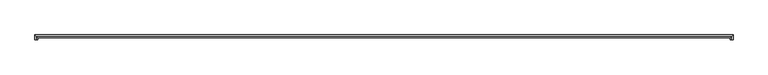
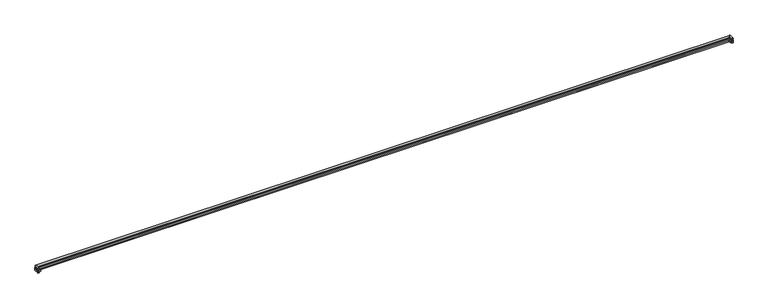
"""IFC4 building model written with IfcOpenShell, lengths in millimetres: railing geometry."""

import ifcopenshell
import ifcopenshell.guid

model = None  # the IFC model being written
_history = None  # IfcOwnerHistory: only IFC2X3 demands one
_inside = {}  # id of a spatial element -> (the spatial element, [elements in it])
_under = {}  # id of a project, library or spatial element -> (it, [spatial elements below it])
_declared = {}  # id of a project -> (the project, [libraries it declares])
_typed = {}  # id of a type object -> (the type object, [elements of that type])
_made_of = {}  # id of a material, layer set ... -> (it, [elements and type objects made of it])


def new_model(schema):
    """Start an empty IFC model of exactly this schema.

    Asked for "IFC4X3", IfcOpenShell would pick the latest addendum, in which some entities
    have other attributes; the version numbers below select the first issue.
    IFC2X3 requires an IfcOwnerHistory on every rooted entity: one is made here for all.
    """
    global model, _history
    if schema == "IFC4X3":
        model = ifcopenshell.file(schema_version=(4, 3, 0, 0))
    else:
        model = ifcopenshell.file(schema=schema)
    _inside.clear()
    _under.clear()
    _declared.clear()
    _typed.clear()
    _made_of.clear()
    _history = None
    if model.schema == "IFC2X3":
        org = make("IfcOrganization", Name="unknown")
        user = make(
            "IfcPersonAndOrganization",
            ThePerson=make("IfcPerson", FamilyName="unknown"),
            TheOrganization=org,
        )
        app = make(
            "IfcApplication",
            ApplicationDeveloper=org,
            Version="unknown",
            ApplicationFullName="unknown",
            ApplicationIdentifier="unknown",
        )
        _history = make(
            "IfcOwnerHistory",
            OwningUser=user,
            OwningApplication=app,
            ChangeAction="ADDED",
            CreationDate=0,
        )
    return model


def make(cls, **values):
    """One entity of the class cls with the attributes given. An attribute that is None is left unset."""
    return model.create_entity(
        cls, **{name: value for name, value in values.items() if value is not None}
    )


def rooted(cls, **values):
    """An entity with a GlobalId (a new one), such as an element, a storey or a relation."""
    return make(cls, GlobalId=ifcopenshell.guid.new(), OwnerHistory=_history, **values)


def si_unit(unit_type, name, prefix=None):
    """IfcSIUnit, for example si_unit("LENGTHUNIT", "METRE", prefix="MILLI")."""
    return make("IfcSIUnit", UnitType=unit_type, Prefix=prefix, Name=name)


def assignment(units):
    """IfcUnitAssignment: the units of a project."""
    return None if units is None else make("IfcUnitAssignment", Units=units)


def point(xyz):
    """IfcCartesianPoint."""
    return None if xyz is None else make("IfcCartesianPoint", Coordinates=xyz)


def direction(xyz):
    """IfcDirection."""
    return None if xyz is None else make("IfcDirection", DirectionRatios=xyz)


def frame(location, z_axis=None, x_axis=None):
    """IfcAxis2Placement3D, a coordinate frame: its origin and axes. An axis left out is left unset."""
    return make(
        "IfcAxis2Placement3D",
        Location=point(location),
        Axis=direction(z_axis),
        RefDirection=direction(x_axis),
    )


def origin():
    """The frame at (0, 0, 0) with its axes left unset."""
    return frame((0.0, 0.0, 0.0))


def place(relative_to, where):
    """IfcLocalPlacement: puts the frame where relative to a parent placement (None: the world)."""
    return make(
        "IfcLocalPlacement", PlacementRelTo=relative_to, RelativePlacement=where
    )


def context(
    kind, dimensions, precision=None, world=None, true_north=None, identifier=None
):
    """IfcGeometricRepresentationContext, for example the 3D "Model" context."""
    return make(
        "IfcGeometricRepresentationContext",
        ContextIdentifier=identifier,
        ContextType=kind,
        CoordinateSpaceDimension=dimensions,
        Precision=precision,
        WorldCoordinateSystem=world,
        TrueNorth=true_north,
    )


def project(units=None, contexts=None):
    """IfcProject with its units and contexts."""
    return rooted(
        "IfcProject",
        Name="project",
        RepresentationContexts=contexts,
        UnitsInContext=assignment(units),
    )


def spatial(cls, under=None, at=None, **own):
    """A site, building, storey or space (cls), placed at a placement, below another one or the project."""
    s = rooted(cls, ObjectPlacement=at, **own)
    if under is not None:
        _under.setdefault(under.id(), (under, []))[1].append(s)
    return s


def polyline(points):
    """IfcPolyline through the points."""
    return make("IfcPolyline", Points=[point(p) for p in points])


def circle_curve(where, radius):
    """IfcCircle in the frame where."""
    return make("IfcCircle", Position=where, Radius=radius)


def ellipse_curve(where, semi_axis1, semi_axis2):
    """IfcEllipse in the frame where."""
    return make(
        "IfcEllipse", Position=where, SemiAxis1=semi_axis1, SemiAxis2=semi_axis2
    )


def faces_of(points, faces, orient=None, outer=None):
    """IfcFace entities. A face is a list of loops; a loop is a list of indices into points, from 0.

    orient and outer hold one flag for each loop. By default every Orientation is true, the
    first loop of a face is its IfcFaceOuterBound and the others are IfcFaceBound.
    """
    made = []
    for i, loops in enumerate(faces):
        bounds = []
        for j, loop in enumerate(loops):
            is_outer = j == 0 if outer is None else outer[i][j]
            bounds.append(
                make(
                    "IfcFaceOuterBound" if is_outer else "IfcFaceBound",
                    Bound=make("IfcPolyLoop", Polygon=[points[k] for k in loop]),
                    Orientation=True if orient is None else orient[i][j],
                )
            )
        made.append(make("IfcFace", Bounds=bounds))
    return made


def faceted_brep(points, faces, orient=None, outer=None, voids=None):
    """IfcFacetedBrep: a solid bounded by flat faces; with voids (closed shells), ...WithVoids."""
    shared = [point(p) for p in points]
    hull = make("IfcClosedShell", CfsFaces=faces_of(shared, faces, orient, outer))
    if voids is None:
        return make("IfcFacetedBrep", Outer=hull)
    return make(
        "IfcFacetedBrepWithVoids",
        Outer=hull,
        Voids=[
            make(cls, CfsFaces=faces_of(shared, fs, o, b)) for cls, fs, o, b in voids
        ],
    )


def shape(context_of_items, identifier, shape_type, items):
    """IfcShapeRepresentation: the items that make up one representation, for example the "Body"."""
    return make(
        "IfcShapeRepresentation",
        ContextOfItems=context_of_items,
        RepresentationIdentifier=identifier,
        RepresentationType=shape_type,
        Items=items,
    )


def source(mapping_origin, context_of_items, identifier, shape_type, items):
    """IfcRepresentationMap: a shape defined once, which mapped items show again and again."""
    return make(
        "IfcRepresentationMap",
        MappingOrigin=mapping_origin,
        MappedRepresentation=shape(context_of_items, identifier, shape_type, items),
    )


def transform(
    local_origin,
    x_axis=None,
    y_axis=None,
    z_axis=None,
    scale=None,
    scale2=None,
    scale3=None,
    uniform=True,
):
    """IfcCartesianTransformationOperator3D, or its non-uniform kind. x_axis, y_axis, z_axis: its Axis1, 2, 3."""
    if uniform:
        return make(
            "IfcCartesianTransformationOperator3D",
            Axis1=direction(x_axis),
            Axis2=direction(y_axis),
            LocalOrigin=point(local_origin),
            Scale=scale,
            Axis3=direction(z_axis),
        )
    return make(
        "IfcCartesianTransformationOperator3DnonUniform",
        Axis1=direction(x_axis),
        Axis2=direction(y_axis),
        LocalOrigin=point(local_origin),
        Scale=scale,
        Axis3=direction(z_axis),
        Scale2=scale2,
        Scale3=scale3,
    )


def mapped(mapping_source, mapping_target):
    """IfcMappedItem: shows the shape of a source again, moved by a transform."""
    return make(
        "IfcMappedItem", MappingSource=mapping_source, MappingTarget=mapping_target
    )


def made_of(thing, what):
    """Note that an element or type object is made of a material, layer set ...; save() writes the relation."""
    if what is not None:
        _made_of.setdefault(what.id(), (what, []))[1].append(thing)
    return thing


def element(
    cls,
    number,
    at=None,
    inside=None,
    cuts=None,
    type_object=None,
    material=None,
    context=None,
    identifier="Body",
    shape_type=None,
    held_by="IfcProductDefinitionShape",
    body=None,
    shapes=None,
    **own,
):
    """One element of the class cls, such as IfcWall. Its Tag is "e" and its number.

    at: its placement. inside: the storey or other place that contains it. cuts: it is an
    opening in that element (IfcRelVoidsElement). A single representation is given by context,
    identifier, shape_type and body (its items); several are given by shapes. held_by: the class
    of the entity that holds the representations. save() writes the other relations.
    """
    e = rooted(cls, Tag="e%d" % number, ObjectPlacement=at, **own)
    if body is not None:
        shapes = [shape(context, identifier, shape_type, body)]
    if shapes is not None:
        e.Representation = make(held_by, Representations=shapes)
    if inside is not None:
        _inside.setdefault(inside.id(), (inside, []))[1].append(e)
    if cuts is not None:
        rooted(
            "IfcRelVoidsElement", RelatingBuildingElement=cuts, RelatedOpeningElement=e
        )
    if type_object is not None:
        _typed.setdefault(type_object.id(), (type_object, []))[1].append(e)
    return made_of(e, material)


def aggregate(whole, parts):
    """IfcRelAggregates: a whole, such as a stair, and the parts it consists of."""
    return rooted("IfcRelAggregates", RelatingObject=whole, RelatedObjects=parts)


def save(model, path):
    """Write the relations noted so far, then the file.

    IfcRelAggregates (storeys below a building ...), IfcRelContainedInSpatialStructure (elements
    in a storey), IfcRelDefinesByType, IfcRelAssociatesMaterial and IfcRelDeclares: one each for
    every whole, place, type object, material and project.
    """
    for whole, parts in _under.values():
        aggregate(whole, parts)
    for where, things in _inside.values():
        rooted(
            "IfcRelContainedInSpatialStructure",
            RelatedElements=things,
            RelatingStructure=where,
        )
    for kind, things in _typed.values():
        rooted("IfcRelDefinesByType", RelatedObjects=things, RelatingType=kind)
    for what, things in _made_of.values():
        rooted("IfcRelAssociatesMaterial", RelatedObjects=things, RelatingMaterial=what)
    for by, libraries in _declared.values():
        rooted("IfcRelDeclares", RelatingContext=by, RelatedDefinitions=libraries)
    model.write(path)


def plane_surface(at):
    """IfcPlane: the flat surface through the origin of the frame at, square to its z axis."""
    return make("IfcPlane", Position=at)


def cylinder_surface(at, radius):
    """IfcCylindricalSurface: all points at the distance radius from the z axis of the frame at."""
    return make("IfcCylindricalSurface", Position=at, Radius=radius)


def revolved_surface(curve, axis_point, axis_direction):
    """IfcSurfaceOfRevolution: the curve turned about the line through axis_point along axis_direction."""
    return make(
        "IfcSurfaceOfRevolution",
        SweptCurve=make("IfcArbitraryOpenProfileDef", ProfileType="CURVE", Curve=curve),
        AxisPosition=make("IfcAxis1Placement", Location=point(axis_point), Axis=direction(axis_direction)),
    )


def advanced_brep(points, edges, surfaces, faces):
    """IfcAdvancedBrep: a solid bounded by faces that lie on surfaces and meet in shared edges.

    An edge is (start, end): straight between two places in points (the first is 0);
    or (start, end, curve); or (start, end, curve, False) where it runs against its curve.
    A face is (place in surfaces, loops), or (place, loops, False) where it looks against
    its surface's normal. A loop lists edges by number (the first is 1), with a minus sign
    where the edge is run from its end to its start. The first loop is the outer one.
    """
    corners = [point(p) for p in points]
    vertices = [make("IfcVertexPoint", VertexGeometry=c) for c in corners]
    made = []
    for start, end, *more in edges:
        made.append(
            make(
                "IfcEdgeCurve",
                EdgeStart=vertices[start],
                EdgeEnd=vertices[end],
                EdgeGeometry=more[0] if more else make("IfcPolyline", Points=[corners[start], corners[end]]),
                SameSense=more[1] if len(more) > 1 else True,
            )
        )
    hull = []
    for where, loops, *sense in faces:
        bounds = []
        for j, loop in enumerate(loops):
            ring = [make("IfcOrientedEdge", EdgeElement=made[abs(k) - 1], Orientation=k > 0) for k in loop]
            bounds.append(
                make(
                    "IfcFaceOuterBound" if j == 0 else "IfcFaceBound",
                    Bound=make("IfcEdgeLoop", EdgeList=ring),
                    Orientation=True,
                )
            )
        hull.append(make("IfcAdvancedFace", Bounds=bounds, FaceSurface=surfaces[where], SameSense=sense[0] if sense else True))
    return make("IfcAdvancedBrep", Outer=make("IfcClosedShell", CfsFaces=hull))


def railing_6d677b34(model_context):
    return source(origin(), model_context, "Body", "SolidModel", [
        advanced_brep(
        [(1643.6394719, 31474.9497023, 840.2579086), (1643.6394719, 31474.9497023, 851.8920261), (-16467.9067281, 31474.9497023, 851.8920261), (-16467.9067281, 31474.9497023, 840.2579086), (1655.7066632, 31487.0168936, 871.3258502), (1652.1989285, 31483.5091589, 878.1694723), (-16476.4661847, 31483.5091589, 878.1694723), (-16479.9739193, 31487.0168936, 871.3258502), (1679.1711878, 31510.4814182, 891.9400009), (-16503.438444, 31510.4814182, 891.9400009), (1676.1382144, 31507.4484448, 885.7421059), (-16500.4054705, 31507.4484448, 885.7421059), (1681.0663719, 31512.3766023, 852.5885849), (1681.0924275, 31512.4026579, 831.850148), (-16505.3596836, 31512.4026579, 831.850148), (-16505.3336281, 31512.3766023, 852.5885849), (1668.3663719, 31499.6766023, 831.850148), (-16492.6336281, 31499.6766023, 831.850148), (1668.3663719, 31499.6766023, 819.150148), (-16492.6336281, 31499.6766023, 819.150148), (1660.0832156, 31491.393446, 826.3284847), (1655.5127349, 31486.8229653, 834.2447895), (-16479.7799911, 31486.8229653, 834.2447895), (-16484.3504718, 31491.393446, 826.3284847), (1641.3788719, 31472.6891023, 806.45), (1652.0955515, 31483.4057819, 806.45), (-16476.3628077, 31483.4057819, 806.45), (-16465.6461281, 31472.6891023, 806.45), (1641.3788719, 31472.6891023, 776.2875), (-16465.6461281, 31472.6891023, 776.2875), (1642.9663719, 31474.2766023, 774.7), (-16467.2336281, 31474.2766023, 774.7), (1679.4788719, 31510.7891023, 774.7), (-16503.7461281, 31510.7891023, 774.7), (1681.0663719, 31512.3766023, 819.150148), (1681.0663719, 31512.3766023, 776.2875), (-16505.3336281, 31512.3766023, 776.2875), (-16505.3336281, 31512.3766023, 819.150148), (1680.6014039, 31511.9116343, 775.164968), (-16504.8686601, 31511.9116343, 775.164968), (1652.1241669, 31483.4343973, 812.6345258), (-16476.3914231, 31483.4343973, 812.6345258), (1652.0976719, 31483.4079023, 834.8469573), (-16476.3649281, 31483.4079023, 834.8469573), (1652.0976719, 31483.4079023, 840.2579086), (-16476.3649281, 31483.4079023, 840.2579086), (1644.2980284, 31475.6082588, 853.1793568), (-16468.5652846, 31475.6082588, 853.1793568), (1680.3457721, 31511.6560025, 853.9184873), (-16504.6130283, 31511.6560025, 853.9184873), (-16467.9067281, 31385.3766023, 840.2579086), (-16467.9067281, 31385.3766023, 851.8920261), (-16468.5652846, 31385.3766023, 853.1793568), (-16479.9739193, 31385.3766023, 871.3258502), (-16476.4661847, 31385.3766023, 878.1694723), (-16503.438444, 31385.3766023, 891.9400009), (-16500.4054705, 31385.3766023, 885.7421059), (-16504.6130283, 31385.3766023, 853.9184873), (-16505.3336281, 31385.3766023, 852.5885849), (-16505.3596836, 31385.3766023, 831.850148), (-16492.6336281, 31385.3766023, 831.850148), (-16492.6336281, 31385.3766023, 819.150148), (-16505.3336281, 31385.3766023, 819.150148), (-16505.3336281, 31385.3766023, 776.2875), (-16504.8686601, 31385.3766023, 775.164968), (-16503.7461281, 31385.3766023, 774.7), (-16467.2336281, 31385.3766023, 774.7), (-16465.6461281, 31385.3766023, 776.2875), (-16465.6461281, 31385.3766023, 806.45), (-16476.3628077, 31385.3766023, 806.45), (-16476.3914231, 31385.3766023, 812.6345258), (-16484.3504718, 31385.3766023, 826.3284847), (-16479.7799911, 31385.3766023, 834.2447895), (-16476.3649281, 31385.3766023, 834.8469573), (-16476.3649281, 31385.3766023, 840.2579086), (1643.6394719, 31385.3766023, 840.2579086), (1652.0976719, 31385.3766023, 840.2579086), (1652.0976719, 31385.3766023, 834.8469573), (1655.5127349, 31385.3766023, 834.2447895), (1660.0832156, 31385.3766023, 826.3284847), (1652.1241669, 31385.3766023, 812.6345258), (1652.0955515, 31385.3766023, 806.45), (1641.3788719, 31385.3766023, 806.45), (1641.3788719, 31385.3766023, 776.2875), (1642.9663719, 31385.3766023, 774.7), (1679.4788719, 31385.3766023, 774.7), (1680.6014039, 31385.3766023, 775.164968), (1681.0663719, 31385.3766023, 776.2875), (1681.0663719, 31385.3766023, 819.150148), (1668.3663719, 31385.3766023, 819.150148), (1668.3663719, 31385.3766023, 831.850148), (1681.0924275, 31385.3766023, 831.850148), (1681.0663719, 31385.3766023, 852.5885849), (1680.3457721, 31385.3766023, 853.9184873), (1676.1382144, 31385.3766023, 885.7421059), (1679.1711878, 31385.3766023, 891.9400009), (1652.1989285, 31385.3766023, 878.1694723), (1655.7066632, 31385.3766023, 871.3258502), (1644.2980284, 31385.3766023, 853.1793568), (1643.6394719, 31385.3766023, 851.8920261)],
        [
            (0, 1),
            (1, 2),
            (2, 3),
            (3, 0),
            (4, 5, ellipse_curve(frame((1649.455637, 31480.7658674, 872.4426187), z_axis=(0.7071067811865448, -0.7071067811865501, 0.0), x_axis=(-0.7071067811865502, -0.7071067811865447, 0.0)), 8.9802561, 6.35)),
            (5, 6),
            (6, 7, ellipse_curve(frame((-16473.7228932, 31480.7658674, 872.4426187), z_axis=(-0.707106781186547, -0.707106781186548, 0.0), x_axis=(-0.707106781186548, 0.7071067811865469, 0.0)), 8.9802561, 6.35)),
            (7, 4),
            (5, 8, ellipse_curve(frame((1660.4288282, 31491.7390585, 895.3500857), z_axis=(-0.7071067811865448, 0.7071067811865501, 0.0), x_axis=(0.7071067811865502, 0.7071067811865447, 0.0)), 26.940851, 19.0500584)),
            (8, 9),
            (9, 6, ellipse_curve(frame((-16484.6960843, 31491.7390585, 895.3500857), z_axis=(0.707106781186547, 0.707106781186548, 0.0), x_axis=(0.707106781186548, -0.7071067811865469, 0.0)), 26.940851, 19.0500584)),
            (8, 10, ellipse_curve(frame((1666.6763197, 31497.9865501, 894.2133838), z_axis=(-0.7071067811865448, 0.7071067811865501, 0.0), x_axis=(0.7071067811865502, 0.7071067811865447, 0.0)), 17.9605122, 12.7)),
            (10, 11),
            (11, 9, ellipse_curve(frame((-16490.9435759, 31497.9865501, 894.2133838), z_axis=(0.707106781186547, 0.707106781186548, 0.0), x_axis=(0.707106781186548, -0.7071067811865469, 0.0)), 17.9605122, 12.7)),
            (12, 13),
            (13, 14),
            (14, 15),
            (15, 12),
            (13, 16),
            (16, 17),
            (17, 14),
            (16, 18),
            (18, 19),
            (19, 17),
            (20, 21),
            (21, 22),
            (22, 23),
            (23, 20),
            (24, 25),
            (25, 26),
            (26, 27),
            (27, 24),
            (28, 24),
            (27, 29),
            (29, 28),
            (30, 28, ellipse_curve(frame((1642.9663719, 31474.2766023, 776.2875), z_axis=(-0.7071067811865448, 0.7071067811865501, 0.0), x_axis=(0.7071067811865502, 0.7071067811865447, 0.0)), 2.245064, 1.5875)),
            (29, 31, ellipse_curve(frame((-16467.2336281, 31474.2766023, 776.2875), z_axis=(0.707106781186547, 0.707106781186548, 0.0), x_axis=(0.707106781186548, -0.7071067811865469, 0.0)), 2.245064, 1.5875)),
            (31, 30),
            (32, 30),
            (31, 33),
            (33, 32),
            (34, 35),
            (35, 36),
            (36, 37),
            (37, 34),
            (35, 38, ellipse_curve(frame((1679.4788719, 31510.7891023, 776.2875), z_axis=(-0.7071067811865448, 0.7071067811865501, 0.0), x_axis=(0.7071067811865502, 0.7071067811865447, 0.0)), 2.245064, 1.5875)),
            (38, 39),
            (39, 36, ellipse_curve(frame((-16503.7461281, 31510.7891023, 776.2875), z_axis=(0.707106781186547, 0.707106781186548, 0.0), x_axis=(0.707106781186548, -0.7071067811865469, 0.0)), 2.245064, 1.5875)),
            (38, 32, ellipse_curve(frame((1679.4059244, 31510.7161548, 776.4636109), z_axis=(-0.7071067811865448, 0.7071067811865501, 0.0), x_axis=(0.7071067811865502, 0.7071067811865447, 0.0)), 2.4962551, 1.7651189)),
            (33, 39, ellipse_curve(frame((-16503.6731806, 31510.7161548, 776.4636109), z_axis=(0.707106781186547, 0.707106781186548, 0.0), x_axis=(0.707106781186548, -0.7071067811865469, 0.0)), 2.4962551, 1.7651189)),
            (18, 34),
            (37, 19),
            (40, 20),
            (23, 41),
            (41, 40),
            (25, 40),
            (41, 26),
            (21, 42),
            (42, 43),
            (43, 22),
            (42, 44),
            (44, 45),
            (45, 43),
            (44, 0),
            (3, 45),
            (1, 46, ellipse_curve(frame((1645.2269719, 31476.5372023, 851.8920261), z_axis=(-0.7071067811865448, 0.7071067811865501, 0.0), x_axis=(0.7071067811865502, 0.7071067811865447, 0.0)), 2.245064, 1.5875)),
            (46, 47),
            (47, 2, ellipse_curve(frame((-16469.4942281, 31476.5372023, 851.8920261), z_axis=(0.707106781186547, 0.707106781186548, 0.0), x_axis=(0.707106781186548, -0.7071067811865469, 0.0)), 2.245064, 1.5875)),
            (46, 4, ellipse_curve(frame((1627.5770455, 31458.8872759, 876.3513087), z_axis=(0.7071067811865448, -0.7071067811865501, 0.0), x_axis=(-0.7071067811865502, -0.7071067811865447, 0.0)), 40.4111525, 28.575)),
            (7, 47, ellipse_curve(frame((-16451.8443016, 31458.8872759, 876.3513087), z_axis=(-0.707106781186547, -0.707106781186548, 0.0), x_axis=(-0.707106781186548, 0.7071067811865469, 0.0)), 40.4111525, 28.575)),
            (10, 48, ellipse_curve(frame((1691.8945671, 31523.2047975, 871.6353708), z_axis=(0.7071067811865448, -0.7071067811865501, 0.0), x_axis=(-0.7071067811865502, -0.7071067811865447, 0.0)), 29.9086151, 21.1485845)),
            (48, 49),
            (49, 11, ellipse_curve(frame((-16516.1618232, 31523.2047975, 871.6353708), z_axis=(-0.707106781186547, -0.707106781186548, 0.0), x_axis=(-0.707106781186548, 0.7071067811865469, 0.0)), 29.9086151, 21.1485845)),
            (48, 12, ellipse_curve(frame((1679.4788719, 31510.7891023, 852.5885849), z_axis=(-0.7071067811865448, 0.7071067811865501, 0.0), x_axis=(0.7071067811865502, 0.7071067811865447, 0.0)), 2.245064, 1.5875)),
            (15, 49, ellipse_curve(frame((-16503.7461281, 31510.7891023, 852.5885849), z_axis=(0.707106781186547, 0.707106781186548, 0.0), x_axis=(0.707106781186548, -0.7071067811865469, 0.0)), 2.245064, 1.5875)),
            (50, 51),
            (51, 52, circle_curve(frame((-16469.4942281, 31385.3766023, 851.8920261), z_axis=(0.0, -1.0, 0.0), x_axis=(1.0, 0.0, 0.0)), 1.5875)),
            (52, 53, circle_curve(frame((-16451.8443016, 31385.3766023, 876.3513087), z_axis=(0.0, 1.0, 0.0), x_axis=(-0.585161258080546, 0.0, -0.8109169513837979)), 28.575)),
            (53, 54, circle_curve(frame((-16473.7228932, 31385.3766023, 872.4426187), z_axis=(0.0, 1.0, 0.0), x_axis=(-0.9844135678090973, 0.0, -0.17586906354832227)), 6.35)),
            (54, 55, circle_curve(frame((-16484.6960843, 31385.3766023, 895.3500857), z_axis=(0.0, -1.0, 0.0), x_axis=(0.43201350048397, 0.0, -0.9018671384409053)), 19.0500584)),
            (55, 56, circle_curve(frame((-16490.9435759, 31385.3766023, 894.2133838), z_axis=(0.0, -1.0, 0.0), x_axis=(-0.9838500427193763, 0.0, -0.1789946743372037)), 12.7)),
            (56, 57, circle_curve(frame((-16516.1618232, 31385.3766023, 871.6353708), z_axis=(0.0, 1.0, 0.0), x_axis=(0.7450310773324587, 0.0, 0.6670297548152078)), 21.1485845)),
            (57, 58, circle_curve(frame((-16503.7461281, 31385.3766023, 852.5885849), z_axis=(0.0, -1.0, 0.0), x_axis=(-0.5460788620485911, 0.0, 0.8377337741930404)), 1.5875)),
            (58, 59),
            (59, 60),
            (60, 61),
            (61, 62),
            (62, 63),
            (63, 64, circle_curve(frame((-16503.7461281, 31385.3766023, 776.2875), z_axis=(0.0, -1.0, 0.0), x_axis=(-0.7071067829669687, 0.0, -0.7071067794061263)), 1.5875)),
            (64, 65, circle_curve(frame((-16503.6731806, 31385.3766023, 776.4636109), z_axis=(0.0, -1.0, 0.0), x_axis=(-0.04132726231632054, 0.0, -0.9991456637495046)), 1.7651189)),
            (65, 66),
            (66, 67, circle_curve(frame((-16467.2336281, 31385.3766023, 776.2875), z_axis=(0.0, -1.0, 0.0), x_axis=(1.0, 0.0, 0.0)), 1.5875)),
            (67, 68),
            (68, 69),
            (69, 70),
            (70, 71),
            (71, 72),
            (72, 73),
            (73, 74),
            (74, 50),
            (3, 50),
            (74, 45),
            (73, 43),
            (72, 22),
            (71, 23),
            (70, 41),
            (69, 26),
            (68, 27),
            (67, 29),
            (66, 31),
            (65, 33),
            (64, 39),
            (63, 36),
            (62, 37),
            (61, 19),
            (60, 17),
            (59, 14),
            (58, 15),
            (57, 49),
            (56, 11),
            (55, 9),
            (54, 6),
            (53, 7),
            (52, 47),
            (51, 2),
            (75, 76),
            (76, 77),
            (77, 78),
            (78, 79),
            (79, 80),
            (80, 81),
            (81, 82),
            (82, 83),
            (83, 84, circle_curve(frame((1642.9663719, 31385.3766023, 776.2875), z_axis=(0.0, -1.0, 0.0), x_axis=(-1.0, 0.0, 0.0)), 1.5875)),
            (84, 85),
            (85, 86, circle_curve(frame((1679.4059244, 31385.3766023, 776.4636109), z_axis=(0.0, -1.0, 0.0), x_axis=(0.041327262316320536, 0.0, -0.9991456637495046)), 1.7651189)),
            (86, 87, circle_curve(frame((1679.4788719, 31385.3766023, 776.2875), z_axis=(0.0, -1.0, 0.0), x_axis=(0.7071067829669687, 0.0, -0.7071067794061264)), 1.5875)),
            (87, 88),
            (88, 89),
            (89, 90),
            (90, 91),
            (91, 92),
            (92, 93, circle_curve(frame((1679.4788719, 31385.3766023, 852.5885849), z_axis=(0.0, -1.0, 0.0), x_axis=(0.546078862048591, 0.0, 0.8377337741930404)), 1.5875)),
            (93, 94, circle_curve(frame((1691.8945671, 31385.3766023, 871.6353708), z_axis=(0.0, 1.0, 0.0), x_axis=(-0.7450310773324585, 0.0, 0.6670297548152078)), 21.1485845)),
            (94, 95, circle_curve(frame((1666.6763197, 31385.3766023, 894.2133838), z_axis=(0.0, -1.0, 0.0), x_axis=(0.9838500427193763, 0.0, -0.17899467433720373)), 12.7)),
            (95, 96, circle_curve(frame((1660.4288282, 31385.3766023, 895.3500857), z_axis=(0.0, -1.0, 0.0), x_axis=(-0.4320135004839699, 0.0, -0.9018671384409053)), 19.0500584)),
            (96, 97, circle_curve(frame((1649.455637, 31385.3766023, 872.4426187), z_axis=(0.0, 1.0, 0.0), x_axis=(0.9844135678090973, 0.0, -0.1758690635483223)), 6.35)),
            (97, 98, circle_curve(frame((1627.5770455, 31385.3766023, 876.3513087), z_axis=(0.0, 1.0, 0.0), x_axis=(0.5851612580805459, 0.0, -0.8109169513837979)), 28.575)),
            (98, 99, circle_curve(frame((1645.2269719, 31385.3766023, 851.8920261), z_axis=(0.0, -1.0, 0.0), x_axis=(-1.0, 0.0, 0.0)), 1.5875)),
            (99, 75),
            (75, 0),
            (44, 76),
            (42, 77),
            (21, 78),
            (20, 79),
            (40, 80),
            (25, 81),
            (24, 82),
            (28, 83),
            (30, 84),
            (32, 85),
            (38, 86),
            (35, 87),
            (34, 88),
            (18, 89),
            (16, 90),
            (13, 91),
            (12, 92),
            (48, 93),
            (10, 94),
            (8, 95),
            (5, 96),
            (4, 97),
            (46, 98),
            (1, 99),
        ],
        [
            plane_surface(frame((1643.6394719, 31474.9497023, 851.8920261), z_axis=(0.0, -1.0, 0.0), x_axis=(-1.0, 0.0, 0.0))),
            revolved_surface(polyline([(-16480.0728931851, 31487.01689355559, 871.3258501464682), (1655.805636985102, 31487.01689355559, 871.3258501464682)]), (1681.0663719, 31480.7658674, 872.4426187), (-1.0, 0.0, 0.0)),
            cylinder_surface(frame((1681.0663719, 31491.7390585, 895.3500857), z_axis=(1.0, 0.0, 0.0), x_axis=(0.0, -0.4320135004839699, -0.9018671384409053)), 19.0500584),
            cylinder_surface(frame((1681.0663719, 31497.9865501, 894.2133838), z_axis=(1.0000000000000002, 0.0, 0.0), x_axis=(0.0, 0.9838500427193763, -0.17899467433720373)), 12.7),
            plane_surface(frame((1681.0924275, 31512.4026579, 831.850148), z_axis=(0.0, 0.9999992107437002, 0.0012563884656135462), x_axis=(-1.0, 0.0, 0.0))),
            plane_surface(frame((1668.3663719, 31499.6766023, 831.850148), z_axis=(0.0, 0.0, -1.0), x_axis=(-1.0, 0.0, 0.0))),
            plane_surface(frame((1668.3663719, 31499.6766023, 819.150148), z_axis=(0.0, 1.0, 0.0), x_axis=(-1.0, 0.0, 0.0))),
            plane_surface(frame((1655.5127349, 31486.8229653, 834.2447895), z_axis=(0.0, -0.8660254037844386, -0.5000000000000003), x_axis=(-1.0, 0.0, 0.0))),
            plane_surface(frame((1652.0955515, 31483.4057819, 806.45), z_axis=(0.0, 0.0, 1.0), x_axis=(-1.0, 0.0, 0.0))),
            plane_surface(frame((1641.3788719, 31472.6891023, 806.45), z_axis=(0.0, -1.0, 0.0), x_axis=(-1.0, 0.0, 0.0))),
            cylinder_surface(frame((1681.0663719, 31474.2766023, 776.2875), z_axis=(1.0, 0.0, 0.0), x_axis=(0.0, -1.0, 0.0)), 1.5875),
            plane_surface(frame((1642.9663719, 31474.2766023, 774.7), z_axis=(0.0, 0.0, -1.0), x_axis=(-1.0, 0.0, 0.0))),
            plane_surface(frame((1681.0663719, 31512.3766023, 776.2875), z_axis=(0.0, 1.0, 0.0), x_axis=(-1.0, 0.0, 0.0))),
            cylinder_surface(frame((1681.0663719, 31510.7891023, 776.2875), z_axis=(1.0, 0.0, 0.0), x_axis=(0.0, 0.7071067829669687, -0.7071067794061264)), 1.5875),
            cylinder_surface(frame((1681.0663719, 31510.7161548, 776.4636109), z_axis=(1.0000000000000002, 0.0, 0.0), x_axis=(0.0, 0.041327262316320536, -0.9991456637495046)), 1.7651189),
            plane_surface(frame((1681.0663719, 31512.3766023, 819.150148), z_axis=(0.0, 0.0, 1.0), x_axis=(-1.0, 0.0, 0.0))),
            plane_surface(frame((1660.0832156, 31491.393446, 826.3284847), z_axis=(0.0, -0.8645772789695024, 0.5024998792932105), x_axis=(-1.0, 0.0, 0.0))),
            plane_surface(frame((1652.1241669, 31483.4343973, 812.6345258), z_axis=(0.0, -0.9999892959250186, 0.004626881821007738), x_axis=(-1.0, 0.0, 0.0))),
            plane_surface(frame((1652.0976719, 31483.4079023, 834.8469573), z_axis=(0.0, -0.17364817766691548, -0.9848077530122107), x_axis=(-1.0, 0.0, 0.0))),
            plane_surface(frame((1652.0976719, 31483.4079023, 840.2579086), z_axis=(0.0, -1.0, 0.0), x_axis=(-1.0, 0.0, 0.0))),
            plane_surface(frame((1643.6394719, 31474.9497023, 840.2579086), z_axis=(0.0, 0.0, -1.0), x_axis=(-1.0, 0.0, 0.0))),
            cylinder_surface(frame((1681.0663719, 31476.5372023, 851.8920261), z_axis=(1.0, 0.0, 0.0), x_axis=(0.0, -1.0, 0.0)), 1.5875),
            revolved_surface(polyline([(-16480.419301568312, 31475.608258849654, 853.179356814208), (1656.1520454683136, 31475.608258849654, 853.179356814208)]), (1681.0663719, 31458.8872759, 876.3513087), (-1.0, 0.0, 0.0)),
            revolved_surface(polyline([(-16537.31040775311, 31507.44844480591, 885.7421059337237), (1713.0431516531085, 31507.44844480591, 885.7421059337237)]), (1681.0663719, 31523.2047975, 871.6353708), (-1.0, 0.0, 0.0)),
            cylinder_surface(frame((1681.0663719, 31510.7891023, 852.5885849), z_axis=(1.0000000000000002, 0.0, 0.0), x_axis=(0.0, 0.546078862048591, 0.8377337741930404)), 1.5875),
            plane_surface(frame((-16505.3336281, 31385.3766023, 914.4), z_axis=(0.0, -1.0, 0.0), x_axis=(0.0, 0.0, -1.0))),
            plane_surface(frame((-16467.9067281, 31474.9497023, 840.2579086), z_axis=(0.0, 0.0, -1.0), x_axis=(0.0, -1.0, 0.0))),
            plane_surface(frame((-16476.3649281, 31483.4079023, 840.2579086), z_axis=(1.0, 0.0, 0.0), x_axis=(0.0, -1.0, 0.0))),
            plane_surface(frame((-16476.3649281, 31483.4079023, 834.8469573), z_axis=(0.17364817766691545, 0.0, -0.9848077530122107), x_axis=(0.0, -1.0, 0.0))),
            plane_surface(frame((-16479.7799911, 31486.8229653, 834.2447895), z_axis=(0.8660254037844385, 0.0, -0.5000000000000004), x_axis=(0.0, -1.0, 0.0))),
            plane_surface(frame((-16484.3504718, 31491.393446, 826.3284847), z_axis=(0.8645772789695024, 0.0, 0.5024998792932106), x_axis=(0.0, -1.0, 0.0))),
            plane_surface(frame((-16476.3914231, 31483.4343973, 812.6345258), z_axis=(0.9999892959250186, 0.0, 0.004626881821007739), x_axis=(0.0, -1.0, 0.0))),
            plane_surface(frame((-16476.3628077, 31483.4057819, 806.45), z_axis=(0.0, 0.0, 1.0), x_axis=(0.0, -1.0, 0.0))),
            plane_surface(frame((-16465.6461281, 31472.6891023, 806.45), z_axis=(1.0, 0.0, 0.0), x_axis=(0.0, -1.0, 0.0))),
            cylinder_surface(frame((-16467.2336281, 31512.3766023, 776.2875), z_axis=(0.0, 1.0, 0.0), x_axis=(1.0, 0.0, 0.0)), 1.5875),
            plane_surface(frame((-16467.2336281, 31474.2766023, 774.7), z_axis=(0.0, 0.0, -1.0), x_axis=(0.0, -1.0, 0.0))),
            cylinder_surface(frame((-16503.6731806, 31512.3766023, 776.4636109), z_axis=(0.0, 1.0000000000000002, 0.0), x_axis=(-0.04132726231632054, 0.0, -0.9991456637495046)), 1.7651189),
            cylinder_surface(frame((-16503.7461281, 31512.3766023, 776.2875), z_axis=(0.0, 1.0, 0.0), x_axis=(-0.7071067829669687, 0.0, -0.7071067794061263)), 1.5875),
            plane_surface(frame((-16505.3336281, 31512.3766023, 776.2875), z_axis=(-1.0, 0.0, 0.0), x_axis=(0.0, -1.0, 0.0))),
            plane_surface(frame((-16505.3336281, 31512.3766023, 819.150148), z_axis=(0.0, 0.0, 1.0), x_axis=(0.0, -1.0, 0.0))),
            plane_surface(frame((-16492.6336281, 31499.6766023, 819.150148), z_axis=(-1.0, 0.0, 0.0), x_axis=(0.0, -1.0, 0.0))),
            plane_surface(frame((-16492.6336281, 31499.6766023, 831.850148), z_axis=(0.0, 0.0, -1.0), x_axis=(0.0, -1.0, 0.0))),
            plane_surface(frame((-16505.3596836, 31512.4026579, 831.850148), z_axis=(-0.9999992107437002, 0.0, 0.0012563884656135464), x_axis=(0.0, -1.0, 0.0))),
            cylinder_surface(frame((-16503.7461281, 31512.3766023, 852.5885849), z_axis=(0.0, 1.0000000000000002, 0.0), x_axis=(-0.5460788620485911, 0.0, 0.8377337741930404)), 1.5875),
            revolved_surface(polyline([(-16500.40547050591, 31385.3766023, 885.7421059337237), (-16500.40547050591, 31544.35338205311, 885.7421059337237)]), (-16516.1618232, 31512.3766023, 871.6353708), (0.0, -1.0000000000000002, 0.0)),
            cylinder_surface(frame((-16490.9435759, 31512.3766023, 894.2133838), z_axis=(0.0, 1.0000000000000002, 0.0), x_axis=(-0.9838500427193763, 0.0, -0.1789946743372037)), 12.7),
            cylinder_surface(frame((-16484.6960843, 31512.3766023, 895.3500857), z_axis=(0.0, 1.0, 0.0), x_axis=(0.43201350048397, 0.0, -0.9018671384409053)), 19.0500584),
            revolved_surface(polyline([(-16479.973919355587, 31385.3766023, 871.3258501464682), (-16479.973919355587, 31487.115867385102, 871.3258501464682)]), (-16473.7228932, 31512.3766023, 872.4426187), (0.0, -1.0, 0.0)),
            revolved_surface(polyline([(-16468.56528454965, 31385.3766023, 853.179356814208), (-16468.56528454965, 31487.462275868314, 853.179356814208)]), (-16451.8443016, 31512.3766023, 876.3513087), (0.0, -1.0, 0.0)),
            cylinder_surface(frame((-16469.4942281, 31512.3766023, 851.8920261), z_axis=(0.0, 1.0, 0.0), x_axis=(1.0, 0.0, 0.0)), 1.5875),
            plane_surface(frame((-16467.9067281, 31474.9497023, 851.8920261), z_axis=(1.0, 0.0, 0.0), x_axis=(0.0, -1.0, 0.0))),
            plane_surface(frame((1681.0663719, 31385.3766023, 914.4), z_axis=(0.0, -1.0, 0.0), x_axis=(0.0, 0.0, 1.0))),
            plane_surface(frame((1643.6394719, 31385.3766023, 840.2579086), z_axis=(0.0, 0.0, -1.0), x_axis=(0.0, 1.0, 0.0))),
            plane_surface(frame((1652.0976719, 31385.3766023, 840.2579086), z_axis=(-1.0, 0.0, 0.0), x_axis=(0.0, 1.0, 0.0))),
            plane_surface(frame((1652.0976719, 31385.3766023, 834.8469573), z_axis=(-0.17364817766691548, 0.0, -0.9848077530122107), x_axis=(0.0, 1.0, 0.0))),
            plane_surface(frame((1655.5127349, 31385.3766023, 834.2447895), z_axis=(-0.8660254037844386, 0.0, -0.5000000000000003), x_axis=(0.0, 1.0, 0.0))),
            plane_surface(frame((1660.0832156, 31385.3766023, 826.3284847), z_axis=(-0.8645772789695024, 0.0, 0.5024998792932105), x_axis=(0.0, 1.0, 0.0))),
            plane_surface(frame((1652.1241669, 31385.3766023, 812.6345258), z_axis=(-0.9999892959250186, 0.0, 0.004626881821007738), x_axis=(0.0, 1.0, 0.0))),
            plane_surface(frame((1652.0955515, 31385.3766023, 806.45), z_axis=(0.0, 0.0, 1.0), x_axis=(0.0, 1.0, 0.0))),
            plane_surface(frame((1641.3788719, 31385.3766023, 806.45), z_axis=(-1.0, 0.0, 0.0), x_axis=(0.0, 1.0, 0.0))),
            cylinder_surface(frame((1642.9663719, 31385.3766023, 776.2875), z_axis=(0.0, -1.0, 0.0), x_axis=(-1.0, 0.0, 0.0)), 1.5875),
            plane_surface(frame((1642.9663719, 31385.3766023, 774.7), z_axis=(0.0, 0.0, -1.0), x_axis=(0.0, 1.0, 0.0))),
            cylinder_surface(frame((1679.4059244, 31385.3766023, 776.4636109), z_axis=(0.0, -1.0000000000000002, 0.0), x_axis=(0.041327262316320536, 0.0, -0.9991456637495046)), 1.7651189),
            cylinder_surface(frame((1679.4788719, 31385.3766023, 776.2875), z_axis=(0.0, -1.0, 0.0), x_axis=(0.7071067829669687, 0.0, -0.7071067794061264)), 1.5875),
            plane_surface(frame((1681.0663719, 31385.3766023, 776.2875), z_axis=(1.0, 0.0, 0.0), x_axis=(0.0, 1.0, 0.0))),
            plane_surface(frame((1681.0663719, 31385.3766023, 819.150148), z_axis=(0.0, 0.0, 1.0), x_axis=(0.0, 1.0, 0.0))),
            plane_surface(frame((1668.3663719, 31385.3766023, 819.150148), z_axis=(1.0, 0.0, 0.0), x_axis=(0.0, 1.0, 0.0))),
            plane_surface(frame((1668.3663719, 31385.3766023, 831.850148), z_axis=(0.0, 0.0, -1.0), x_axis=(0.0, 1.0, 0.0))),
            plane_surface(frame((1681.0924275, 31385.3766023, 831.850148), z_axis=(0.9999992107437002, 0.0, 0.0012563884656135462), x_axis=(0.0, 1.0, 0.0))),
            cylinder_surface(frame((1679.4788719, 31385.3766023, 852.5885849), z_axis=(0.0, -1.0000000000000002, 0.0), x_axis=(0.546078862048591, 0.0, 0.8377337741930404)), 1.5875),
            revolved_surface(polyline([(1676.1382144059085, 31544.35338205311, 885.7421059337237), (1676.1382144059085, 31385.3766023, 885.7421059337237)]), (1691.8945671, 31385.3766023, 871.6353708), (0.0, 1.0, 0.0)),
            cylinder_surface(frame((1666.6763197, 31385.3766023, 894.2133838), z_axis=(0.0, -1.0000000000000002, 0.0), x_axis=(0.9838500427193763, 0.0, -0.17899467433720373)), 12.7),
            cylinder_surface(frame((1660.4288282, 31385.3766023, 895.3500857), z_axis=(0.0, -1.0, 0.0), x_axis=(-0.4320135004839699, 0.0, -0.9018671384409053)), 19.0500584),
            revolved_surface(polyline([(1655.7066631555879, 31487.115867385102, 871.3258501464682), (1655.7066631555879, 31385.3766023, 871.3258501464682)]), (1649.455637, 31385.3766023, 872.4426187), (0.0, 1.0, 0.0)),
            revolved_surface(polyline([(1644.2980284496516, 31487.462275868314, 853.179356814208), (1644.2980284496516, 31385.3766023, 853.179356814208)]), (1627.5770455, 31385.3766023, 876.3513087), (0.0, 1.0, 0.0)),
            cylinder_surface(frame((1645.2269719, 31385.3766023, 851.8920261), z_axis=(0.0, -1.0, 0.0), x_axis=(-1.0, 0.0, 0.0)), 1.5875),
            plane_surface(frame((1643.6394719, 31385.3766023, 851.8920261), z_axis=(-1.0, 0.0, 0.0), x_axis=(0.0, 1.0, 0.0))),
        ],
        [
            (0, [[1, 2, 3, 4]]),
            (1, [[5, 6, 7, 8]]),
            (2, [[9, 10, 11, -6]]),
            (3, [[12, 13, 14, -10]]),
            (4, [[15, 16, 17, 18]]),
            (5, [[19, 20, 21, -16]]),
            (6, [[22, 23, 24, -20]]),
            (7, [[25, 26, 27, 28]]),
            (8, [[29, 30, 31, 32]]),
            (9, [[33, -32, 34, 35]]),
            (10, [[36, -35, 37, 38]]),
            (11, [[39, -38, 40, 41]]),
            (12, [[42, 43, 44, 45]]),
            (13, [[46, 47, 48, -43]]),
            (14, [[49, -41, 50, -47]]),
            (15, [[51, -45, 52, -23]]),
            (16, [[53, -28, 54, 55]]),
            (17, [[56, -55, 57, -30]]),
            (18, [[58, 59, 60, -26]]),
            (19, [[61, 62, 63, -59]]),
            (20, [[64, -4, 65, -62]]),
            (21, [[66, 67, 68, -2]]),
            (22, [[69, -8, 70, -67]]),
            (23, [[71, 72, 73, -13]]),
            (24, [[74, -18, 75, -72]]),
            (25, [[76, 77, 78, 79, 80, 81, 82, 83, 84, 85, 86, 87, 88, 89, 90, 91, 92, 93, 94, 95, 96, 97, 98, 99, 100]]),
            (26, [[-65, 101, -100, 102]]),
            (27, [[-63, -102, -99, 103]]),
            (28, [[-60, -103, -98, 104]]),
            (29, [[-27, -104, -97, 105]]),
            (30, [[-54, -105, -96, 106]]),
            (31, [[-57, -106, -95, 107]]),
            (32, [[-31, -107, -94, 108]]),
            (33, [[-34, -108, -93, 109]]),
            (34, [[-37, -109, -92, 110]]),
            (35, [[-40, -110, -91, 111]]),
            (36, [[-50, -111, -90, 112]]),
            (37, [[-48, -112, -89, 113]]),
            (38, [[-44, -113, -88, 114]]),
            (39, [[-52, -114, -87, 115]]),
            (40, [[-24, -115, -86, 116]]),
            (41, [[-21, -116, -85, 117]]),
            (42, [[-17, -117, -84, 118]]),
            (43, [[-75, -118, -83, 119]]),
            (44, [[-73, -119, -82, 120]]),
            (45, [[-14, -120, -81, 121]]),
            (46, [[-11, -121, -80, 122]]),
            (47, [[-7, -122, -79, 123]]),
            (48, [[-70, -123, -78, 124]]),
            (49, [[-68, -124, -77, 125]]),
            (50, [[-3, -125, -76, -101]]),
            (51, [[126, 127, 128, 129, 130, 131, 132, 133, 134, 135, 136, 137, 138, 139, 140, 141, 142, 143, 144, 145, 146, 147, 148, 149, 150]]),
            (52, [[-126, 151, -64, 152]]),
            (53, [[-127, -152, -61, 153]]),
            (54, [[-128, -153, -58, 154]]),
            (55, [[-129, -154, -25, 155]]),
            (56, [[-130, -155, -53, 156]]),
            (57, [[-131, -156, -56, 157]]),
            (58, [[-132, -157, -29, 158]]),
            (59, [[-133, -158, -33, 159]]),
            (60, [[-134, -159, -36, 160]]),
            (61, [[-135, -160, -39, 161]]),
            (62, [[-136, -161, -49, 162]]),
            (63, [[-137, -162, -46, 163]]),
            (64, [[-138, -163, -42, 164]]),
            (65, [[-139, -164, -51, 165]]),
            (66, [[-140, -165, -22, 166]]),
            (67, [[-141, -166, -19, 167]]),
            (68, [[-142, -167, -15, 168]]),
            (69, [[-143, -168, -74, 169]]),
            (70, [[-144, -169, -71, 170]]),
            (71, [[-145, -170, -12, 171]]),
            (72, [[-146, -171, -9, 172]]),
            (73, [[-147, -172, -5, 173]]),
            (74, [[-148, -173, -69, 174]]),
            (75, [[-149, -174, -66, 175]]),
            (76, [[-150, -175, -1, -151]]),
        ],
    ),
        faceted_brep([(1651.2826609, 31482.5928913, 840.2579086), (1651.2826609, 31482.5928913, 807.9745086), (-16475.5499171, 31482.5928913, 807.9745086), (-16475.5499171, 31482.5928913, 840.2579086), (1641.3788719, 31472.6891023, 807.9745086), (-16465.6461281, 31472.6891023, 807.9745086), (1641.3788719, 31472.6891023, 802.1579086), (-16465.6461281, 31472.6891023, 802.1579086), (1603.2788719, 31434.5891023, 802.1579086), (-16427.5461281, 31434.5891023, 802.1579086), (1603.2788719, 31434.5891023, 840.2579086), (-16427.5461281, 31434.5891023, 840.2579086), (-16475.5499171, 31385.3766023, 840.2579086), (-16475.5499171, 31385.3766023, 807.9745086), (-16465.6461281, 31385.3766023, 807.9745086), (-16465.6461281, 31385.3766023, 802.1579086), (-16427.5461281, 31385.3766023, 802.1579086), (-16427.5461281, 31385.3766023, 840.2579086), (1651.2826609, 31385.3766023, 840.2579086), (1603.2788719, 31385.3766023, 840.2579086), (1603.2788719, 31385.3766023, 802.1579086), (1641.3788719, 31385.3766023, 802.1579086), (1641.3788719, 31385.3766023, 807.9745086), (1651.2826609, 31385.3766023, 807.9745086)], [[[0, 1, 2, 3]], [[1, 4, 5, 2]], [[4, 6, 7, 5]], [[6, 8, 9, 7]], [[8, 10, 11, 9]], [[10, 0, 3, 11]], [[12, 13, 14, 15, 16, 17]], [[11, 3, 12, 17]], [[9, 11, 17, 16]], [[7, 9, 16, 15]], [[5, 7, 15, 14]], [[2, 5, 14, 13]], [[3, 2, 13, 12]], [[18, 19, 20, 21, 22, 23]], [[19, 18, 0, 10]], [[20, 19, 10, 8]], [[21, 20, 8, 6]], [[22, 21, 6, 4]], [[23, 22, 4, 1]], [[18, 23, 1, 0]]]),
        faceted_brep([(1681.0663719, 31512.3766023, 831.850148), (1681.0663719, 31512.3766023, 819.150148), (-16505.3336281, 31512.3766023, 819.150148), (-16505.3336281, 31512.3766023, 831.850148), (1674.7163719, 31506.0266023, 819.150148), (-16498.9836281, 31506.0266023, 819.150148), (1674.7163719, 31506.0266023, 831.850148), (-16498.9836281, 31506.0266023, 831.850148), (-16505.3336281, 31385.3766023, 831.850148), (-16505.3336281, 31385.3766023, 819.150148), (-16498.9836281, 31385.3766023, 819.150148), (-16498.9836281, 31385.3766023, 831.850148), (1681.0663719, 31385.3766023, 831.850148), (1674.7163719, 31385.3766023, 831.850148), (1674.7163719, 31385.3766023, 819.150148), (1681.0663719, 31385.3766023, 819.150148)], [[[0, 1, 2, 3]], [[1, 4, 5, 2]], [[4, 6, 7, 5]], [[6, 0, 3, 7]], [[8, 9, 10, 11]], [[7, 3, 8, 11]], [[5, 7, 11, 10]], [[2, 5, 10, 9]], [[3, 2, 9, 8]], [[12, 13, 14, 15]], [[13, 12, 0, 6]], [[14, 13, 6, 4]], [[15, 14, 4, 1]], [[12, 15, 1, 0]]]),
    ])


if __name__ == "__main__":
    model = new_model("IFC4")
    model_context = context("Model", 3, world=origin())
    ifc_project = project(units=[si_unit("LENGTHUNIT", "METRE", prefix="MILLI")], contexts=[model_context])
    site = spatial("IfcSite", under=ifc_project)
    building = spatial("IfcBuilding", under=site)
    placement = place(None, origin())
    railing_shape = railing_6d677b34(model_context)
    element("IfcRailing", 1, at=placement, inside=building, context=model_context, shape_type="MappedRepresentation", body=[
        mapped(railing_shape, transform((0.0, 0.0, 0.0), x_axis=(1.0, 0.0, 0.0), y_axis=(0.0, 1.0, 0.0), z_axis=(0.0, 0.0, 1.0))),
    ])
    save(model, "model.ifc")
